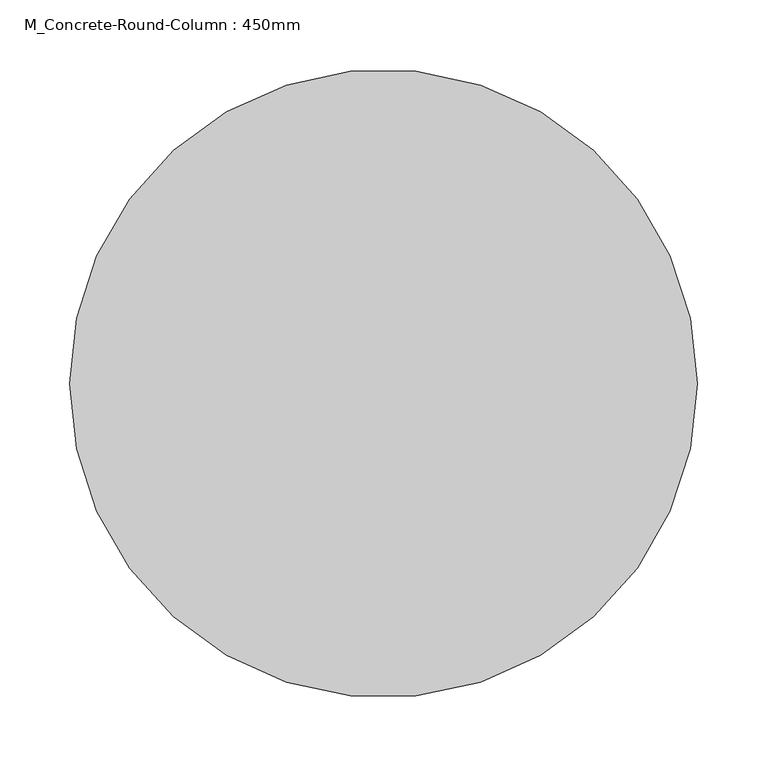
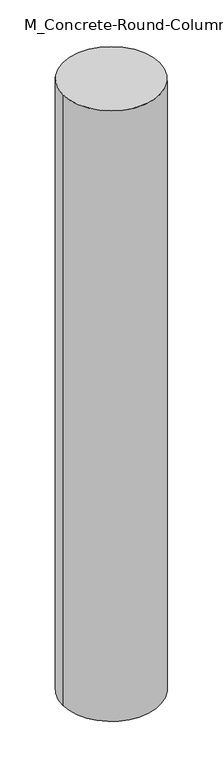
"""IFC4 building model written with IfcOpenShell, lengths in millimetres: column geometry, M_Concrete-Round-Column : 450mm."""

from ifc_helpers import new_model, si_unit, point, origin, origin_with_axes, origin_2d, place, context, project, spatial, circle_curve, trimmed, segment, composite_curve, outline, extrude, source, transform, mapped, element, save


def m_concrete_round_column_450mm_c10c5663(model_context):
    return source(origin(), model_context, "Body", "SweptSolid", [
        extrude(outline(composite_curve([segment(trimmed(circle_curve(origin_2d(), 225.0), [point((-225.0, 0.0))], [point((225.0, 0.0))], False, "CARTESIAN"), True, "CONTINUOUS"), segment(trimmed(circle_curve(origin_2d(), 225.0), [point((225.0, 0.0))], [point((-225.0, 0.0))], False, "CARTESIAN"), True, "CONTINUOUS")], self_intersect=False)), origin_with_axes(), (0.0, 0.0, 1.0), 3000.0),
    ])


if __name__ == "__main__":
    model = new_model("IFC4")
    model_context = context("Model", 3, world=origin())
    ifc_project = project(units=[si_unit("LENGTHUNIT", "METRE", prefix="MILLI")], contexts=[model_context])
    site = spatial("IfcSite", under=ifc_project)
    building = spatial("IfcBuilding", under=site)
    placement = place(None, origin())
    m_concrete_round_column_450mm_shape = m_concrete_round_column_450mm_c10c5663(model_context)
    element("IfcColumn", 1, ObjectType="M_Concrete-Round-Column : 450mm", at=placement, inside=building, context=model_context, shape_type="MappedRepresentation", body=[
        mapped(m_concrete_round_column_450mm_shape, transform((0.0, 0.0, 0.0), x_axis=(1.0, 0.0, 0.0), y_axis=(0.0, 1.0, 0.0), z_axis=(0.0, 0.0, 1.0))),
    ])
    save(model, "model.ifc")
